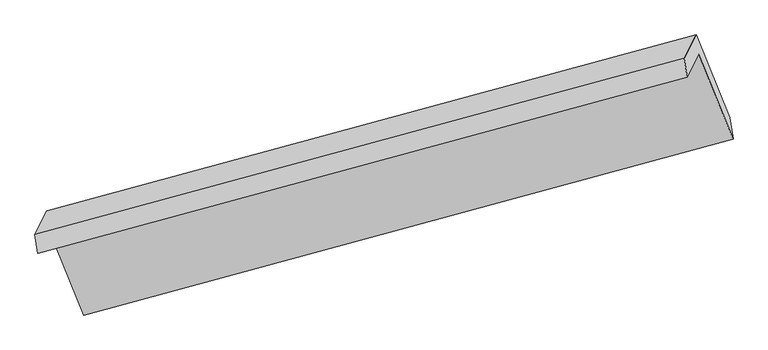
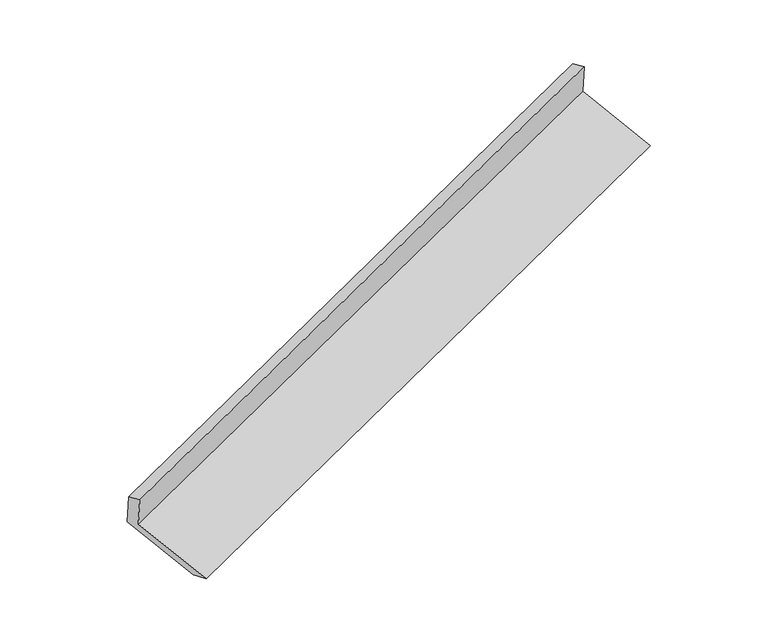
"""IFC4 building model written with IfcOpenShell, lengths in millimetres: proxy geometry."""

from ifc_helpers import new_model, si_unit, origin, place, context, project, spatial, faceted_brep, source, transform, mapped, element, save


def generic_models_285ab423(model_context):
    return source(origin(), model_context, "Body", "Brep", [
        faceted_brep([(-5228.7898731, -2094.3909771, 1457.8543733), (-5148.993168, -1935.1872088, 1113.5257043), (-657.2759023, -715.5432636, 2701.4891529), (-737.0726073, -874.7470319, 3045.817822), (-5248.9165468, -1964.08264, 1414.850643), (-757.199281, -744.4386948, 3002.8140917), (-5167.5342728, -1801.7154761, 1063.6801273), (-675.8170071, -582.0715309, 2651.643576), (-4935.6758492, -2375.0598656, 852.3208777), (-443.9585835, -1155.4159204, 2440.2843264), (-4911.3576685, -2522.8172732, 896.9001442), (-419.6404027, -1303.173328, 2484.8635929)], [[[0, 1, 2, 3]], [[4, 0, 3, 5]], [[6, 4, 5, 7]], [[8, 6, 7, 9]], [[10, 8, 9, 11]], [[1, 10, 11, 2]], [[9, 7, 5, 3, 2, 11]], [[1, 0, 4, 6, 8, 10]]]),
    ])


if __name__ == "__main__":
    model = new_model("IFC4")
    model_context = context("Model", 3, world=origin())
    ifc_project = project(units=[si_unit("LENGTHUNIT", "METRE", prefix="MILLI")], contexts=[model_context])
    site = spatial("IfcSite", under=ifc_project)
    building = spatial("IfcBuilding", under=site)
    placement = place(None, origin())
    generic_models_shape = generic_models_285ab423(model_context)
    element("IfcBuildingElementProxy", 1, Name="Generic Models", at=placement, inside=building, context=model_context, shape_type="MappedRepresentation", body=[
        mapped(generic_models_shape, transform((0.0, 0.0, 0.0), x_axis=(1.0, 0.0, 0.0), y_axis=(0.0, 1.0, 0.0), z_axis=(0.0, 0.0, 1.0))),
    ])
    save(model, "model.ifc")
